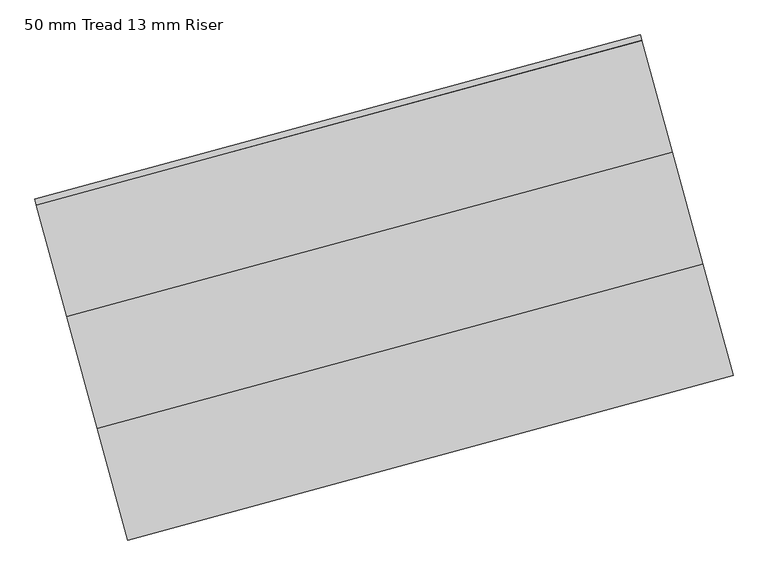
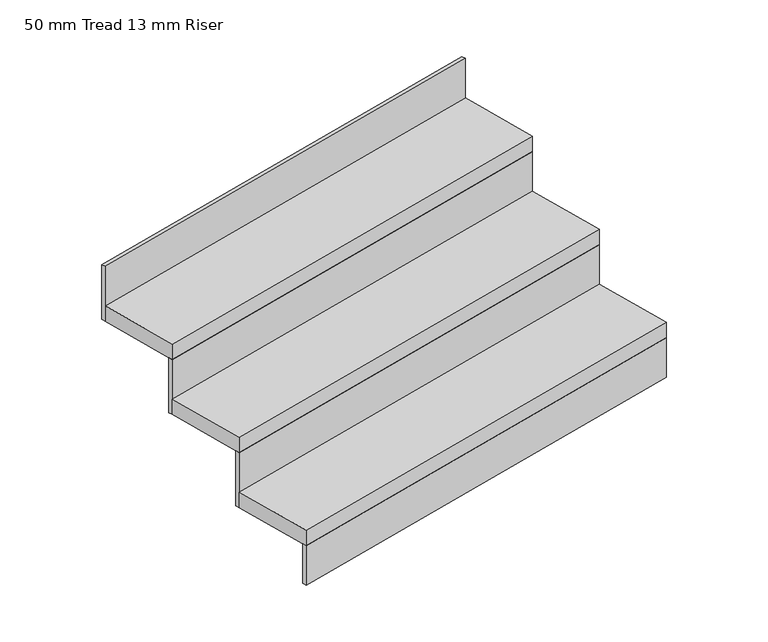
"""IFC4 building model written with IfcOpenShell, lengths in millimetres: stair flight geometry, 50 mm Tread 13 mm Riser."""

import ifcopenshell
import ifcopenshell.guid

model = None  # the IFC model being written
_history = None  # IfcOwnerHistory: only IFC2X3 demands one
_inside = {}  # id of a spatial element -> (the spatial element, [elements in it])
_under = {}  # id of a project, library or spatial element -> (it, [spatial elements below it])
_declared = {}  # id of a project -> (the project, [libraries it declares])
_typed = {}  # id of a type object -> (the type object, [elements of that type])
_made_of = {}  # id of a material, layer set ... -> (it, [elements and type objects made of it])


def new_model(schema):
    """Start an empty IFC model of exactly this schema.

    Asked for "IFC4X3", IfcOpenShell would pick the latest addendum, in which some entities
    have other attributes; the version numbers below select the first issue.
    IFC2X3 requires an IfcOwnerHistory on every rooted entity: one is made here for all.
    """
    global model, _history
    if schema == "IFC4X3":
        model = ifcopenshell.file(schema_version=(4, 3, 0, 0))
    else:
        model = ifcopenshell.file(schema=schema)
    _inside.clear()
    _under.clear()
    _declared.clear()
    _typed.clear()
    _made_of.clear()
    _history = None
    if model.schema == "IFC2X3":
        org = make("IfcOrganization", Name="unknown")
        user = make(
            "IfcPersonAndOrganization",
            ThePerson=make("IfcPerson", FamilyName="unknown"),
            TheOrganization=org,
        )
        app = make(
            "IfcApplication",
            ApplicationDeveloper=org,
            Version="unknown",
            ApplicationFullName="unknown",
            ApplicationIdentifier="unknown",
        )
        _history = make(
            "IfcOwnerHistory",
            OwningUser=user,
            OwningApplication=app,
            ChangeAction="ADDED",
            CreationDate=0,
        )
    return model


def make(cls, **values):
    """One entity of the class cls with the attributes given. An attribute that is None is left unset."""
    return model.create_entity(
        cls, **{name: value for name, value in values.items() if value is not None}
    )


def rooted(cls, **values):
    """An entity with a GlobalId (a new one), such as an element, a storey or a relation."""
    return make(cls, GlobalId=ifcopenshell.guid.new(), OwnerHistory=_history, **values)


def si_unit(unit_type, name, prefix=None):
    """IfcSIUnit, for example si_unit("LENGTHUNIT", "METRE", prefix="MILLI")."""
    return make("IfcSIUnit", UnitType=unit_type, Prefix=prefix, Name=name)


def assignment(units):
    """IfcUnitAssignment: the units of a project."""
    return None if units is None else make("IfcUnitAssignment", Units=units)


def point(xyz):
    """IfcCartesianPoint."""
    return None if xyz is None else make("IfcCartesianPoint", Coordinates=xyz)


def direction(xyz):
    """IfcDirection."""
    return None if xyz is None else make("IfcDirection", DirectionRatios=xyz)


def frame(location, z_axis=None, x_axis=None):
    """IfcAxis2Placement3D, a coordinate frame: its origin and axes. An axis left out is left unset."""
    return make(
        "IfcAxis2Placement3D",
        Location=point(location),
        Axis=direction(z_axis),
        RefDirection=direction(x_axis),
    )


def origin():
    """The frame at (0, 0, 0) with its axes left unset."""
    return frame((0.0, 0.0, 0.0))


def origin_with_axes():
    """The frame at (0, 0, 0) with the z axis (0, 0, 1) and the x axis (1, 0, 0) written out."""
    return frame((0.0, 0.0, 0.0), z_axis=(0.0, 0.0, 1.0), x_axis=(1.0, 0.0, 0.0))


def place(relative_to, where):
    """IfcLocalPlacement: puts the frame where relative to a parent placement (None: the world)."""
    return make(
        "IfcLocalPlacement", PlacementRelTo=relative_to, RelativePlacement=where
    )


def context(
    kind, dimensions, precision=None, world=None, true_north=None, identifier=None
):
    """IfcGeometricRepresentationContext, for example the 3D "Model" context."""
    return make(
        "IfcGeometricRepresentationContext",
        ContextIdentifier=identifier,
        ContextType=kind,
        CoordinateSpaceDimension=dimensions,
        Precision=precision,
        WorldCoordinateSystem=world,
        TrueNorth=true_north,
    )


def project(units=None, contexts=None):
    """IfcProject with its units and contexts."""
    return rooted(
        "IfcProject",
        Name="project",
        RepresentationContexts=contexts,
        UnitsInContext=assignment(units),
    )


def spatial(cls, under=None, at=None, **own):
    """A site, building, storey or space (cls), placed at a placement, below another one or the project."""
    s = rooted(cls, ObjectPlacement=at, **own)
    if under is not None:
        _under.setdefault(under.id(), (under, []))[1].append(s)
    return s


def polyline(points):
    """IfcPolyline through the points."""
    return make("IfcPolyline", Points=[point(p) for p in points])


def outline(outer, holes=None, kind="AREA"):
    """IfcArbitraryClosedProfileDef: a profile drawn as a closed curve; with holes, ...WithVoids."""
    if holes is None:
        return make("IfcArbitraryClosedProfileDef", ProfileType=kind, OuterCurve=outer)
    return make(
        "IfcArbitraryProfileDefWithVoids",
        ProfileType=kind,
        OuterCurve=outer,
        InnerCurves=holes,
    )


def extrude(swept, where, along, depth):
    """IfcExtrudedAreaSolid: the profile swept, set in the frame where, extruded along a direction by depth."""
    return make(
        "IfcExtrudedAreaSolid",
        SweptArea=swept,
        Position=where,
        ExtrudedDirection=direction(along),
        Depth=depth,
    )


def shape(context_of_items, identifier, shape_type, items):
    """IfcShapeRepresentation: the items that make up one representation, for example the "Body"."""
    return make(
        "IfcShapeRepresentation",
        ContextOfItems=context_of_items,
        RepresentationIdentifier=identifier,
        RepresentationType=shape_type,
        Items=items,
    )


def source(mapping_origin, context_of_items, identifier, shape_type, items):
    """IfcRepresentationMap: a shape defined once, which mapped items show again and again."""
    return make(
        "IfcRepresentationMap",
        MappingOrigin=mapping_origin,
        MappedRepresentation=shape(context_of_items, identifier, shape_type, items),
    )


def transform(
    local_origin,
    x_axis=None,
    y_axis=None,
    z_axis=None,
    scale=None,
    scale2=None,
    scale3=None,
    uniform=True,
):
    """IfcCartesianTransformationOperator3D, or its non-uniform kind. x_axis, y_axis, z_axis: its Axis1, 2, 3."""
    if uniform:
        return make(
            "IfcCartesianTransformationOperator3D",
            Axis1=direction(x_axis),
            Axis2=direction(y_axis),
            LocalOrigin=point(local_origin),
            Scale=scale,
            Axis3=direction(z_axis),
        )
    return make(
        "IfcCartesianTransformationOperator3DnonUniform",
        Axis1=direction(x_axis),
        Axis2=direction(y_axis),
        LocalOrigin=point(local_origin),
        Scale=scale,
        Axis3=direction(z_axis),
        Scale2=scale2,
        Scale3=scale3,
    )


def mapped(mapping_source, mapping_target):
    """IfcMappedItem: shows the shape of a source again, moved by a transform."""
    return make(
        "IfcMappedItem", MappingSource=mapping_source, MappingTarget=mapping_target
    )


def made_of(thing, what):
    """Note that an element or type object is made of a material, layer set ...; save() writes the relation."""
    if what is not None:
        _made_of.setdefault(what.id(), (what, []))[1].append(thing)
    return thing


def element(
    cls,
    number,
    at=None,
    inside=None,
    cuts=None,
    type_object=None,
    material=None,
    context=None,
    identifier="Body",
    shape_type=None,
    held_by="IfcProductDefinitionShape",
    body=None,
    shapes=None,
    **own,
):
    """One element of the class cls, such as IfcWall. Its Tag is "e" and its number.

    at: its placement. inside: the storey or other place that contains it. cuts: it is an
    opening in that element (IfcRelVoidsElement). A single representation is given by context,
    identifier, shape_type and body (its items); several are given by shapes. held_by: the class
    of the entity that holds the representations. save() writes the other relations.
    """
    e = rooted(cls, Tag="e%d" % number, ObjectPlacement=at, **own)
    if body is not None:
        shapes = [shape(context, identifier, shape_type, body)]
    if shapes is not None:
        e.Representation = make(held_by, Representations=shapes)
    if inside is not None:
        _inside.setdefault(inside.id(), (inside, []))[1].append(e)
    if cuts is not None:
        rooted(
            "IfcRelVoidsElement", RelatingBuildingElement=cuts, RelatedOpeningElement=e
        )
    if type_object is not None:
        _typed.setdefault(type_object.id(), (type_object, []))[1].append(e)
    return made_of(e, material)


def aggregate(whole, parts):
    """IfcRelAggregates: a whole, such as a stair, and the parts it consists of."""
    return rooted("IfcRelAggregates", RelatingObject=whole, RelatedObjects=parts)


def save(model, path):
    """Write the relations noted so far, then the file.

    IfcRelAggregates (storeys below a building ...), IfcRelContainedInSpatialStructure (elements
    in a storey), IfcRelDefinesByType, IfcRelAssociatesMaterial and IfcRelDeclares: one each for
    every whole, place, type object, material and project.
    """
    for whole, parts in _under.values():
        aggregate(whole, parts)
    for where, things in _inside.values():
        rooted(
            "IfcRelContainedInSpatialStructure",
            RelatedElements=things,
            RelatingStructure=where,
        )
    for kind, things in _typed.values():
        rooted("IfcRelDefinesByType", RelatedObjects=things, RelatingType=kind)
    for what, things in _made_of.values():
        rooted("IfcRelAssociatesMaterial", RelatedObjects=things, RelatingMaterial=what)
    for by, libraries in _declared.values():
        rooted("IfcRelDeclares", RelatingContext=by, RelatedDefinitions=libraries)
    model.write(path)


def stair_flight_50_mm_tread_13_mm_riser_5505c7ea(model_context):
    return source(origin(), model_context, "Body", "SweptSolid", [
        extrude(outline(polyline([(50298.3565792, 41171.850217), (50301.6351896, 41159.7878493), (48995.1907992, 40804.6898809), (48991.9121887, 40816.7522486), (50298.3565792, 41171.850217)])), origin_with_axes(), (0.0, 0.0, 1.0), 127.7777778),
        extrude(outline(polyline([(48929.6185899, 41045.937234), (50236.0629804, 41401.0352024), (50301.6351896, 41159.7878493), (48995.1907992, 40804.6898809), (48929.6185899, 41045.937234)])), frame((0.0, 0.0, 127.7777778), z_axis=(0.0, 0.0, 1.0), x_axis=(1.0, 0.0, 0.0)), (0.0, 0.0, 1.0), 50.0),
        extrude(outline(polyline([(50232.7843699, 41413.09757), (50236.0629804, 41401.0352024), (48929.6185899, 41045.937234), (48926.3399794, 41057.9996017), (50232.7843699, 41413.09757)])), frame((0.0, 0.0, 127.7777778), z_axis=(0.0, 0.0, 1.0), x_axis=(1.0, 0.0, 0.0)), (0.0, 0.0, 1.0), 177.7777778),
        extrude(outline(polyline([(48864.0463807, 41287.1845871), (50170.4907711, 41642.2825555), (50236.0629804, 41401.0352024), (48929.6185899, 41045.937234), (48864.0463807, 41287.1845871)])), frame((0.0, 0.0, 305.5555556), z_axis=(0.0, 0.0, 1.0), x_axis=(1.0, 0.0, 0.0)), (0.0, 0.0, 1.0), 50.0),
        extrude(outline(polyline([(50167.2121607, 41654.3449231), (50170.4907711, 41642.2825555), (48864.0463807, 41287.1845871), (48860.7677702, 41299.2469548), (50167.2121607, 41654.3449231)])), frame((0.0, 0.0, 305.5555556), z_axis=(0.0, 0.0, 1.0), x_axis=(1.0, 0.0, 0.0)), (0.0, 0.0, 1.0), 177.7777778),
        extrude(outline(polyline([(50101.6399514, 41895.5922762), (50104.9185619, 41883.5299086), (48798.4741714, 41528.4319402), (48795.1955609, 41540.4943079), (50101.6399514, 41895.5922762)])), frame((0.0, 0.0, 483.3333333), z_axis=(0.0, 0.0, 1.0), x_axis=(1.0, 0.0, 0.0)), (0.0, 0.0, 1.0), 177.7777778),
        extrude(outline(polyline([(48798.4741714, 41528.4319402), (50104.9185619, 41883.5299086), (50170.4907711, 41642.2825555), (48864.0463807, 41287.1845871), (48798.4741714, 41528.4319402)])), frame((0.0, 0.0, 483.3333333), z_axis=(0.0, 0.0, 1.0), x_axis=(1.0, 0.0, 0.0)), (0.0, 0.0, 1.0), 50.0),
    ])


if __name__ == "__main__":
    model = new_model("IFC4")
    model_context = context("Model", 3, world=origin())
    ifc_project = project(units=[si_unit("LENGTHUNIT", "METRE", prefix="MILLI")], contexts=[model_context])
    site = spatial("IfcSite", under=ifc_project)
    building = spatial("IfcBuilding", under=site)
    placement = place(None, origin())
    stair_flight_50_mm_tread_13_mm_riser_shape = stair_flight_50_mm_tread_13_mm_riser_5505c7ea(model_context)
    element("IfcStairFlight", 1, ObjectType="50 mm Tread 13 mm Riser", at=placement, inside=building, context=model_context, shape_type="MappedRepresentation", body=[
        mapped(stair_flight_50_mm_tread_13_mm_riser_shape, transform((0.0, 0.0, 0.0), x_axis=(1.0, 0.0, 0.0), y_axis=(0.0, 1.0, 0.0), z_axis=(0.0, 0.0, 1.0))),
    ])
    save(model, "model.ifc")
